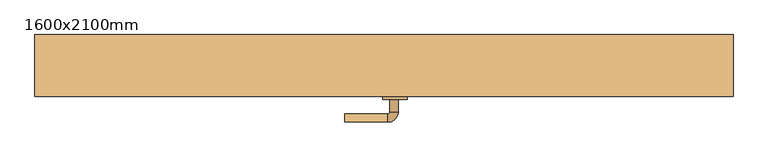
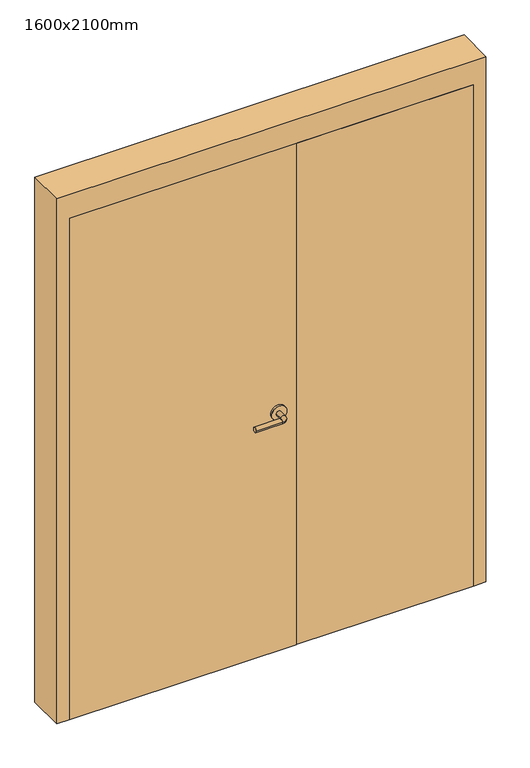
"""IFC4 building model written with IfcOpenShell, lengths in millimetres: door geometry, 1600x2100mm."""

from ifc_helpers import new_model, si_unit, point, frame, frame_2d, origin, origin_with_axes, place, context, project, spatial, polyline, circle_curve, ellipse_curve, trimmed, segment, composite_curve, outline, extrude, faceted_brep, source, transform, mapped, element, save
from ifc_brep_helpers import plane_surface, cylinder_surface, revolved_surface, advanced_brep


def door_1600x2100mm_aff910e4(model_context):
    return source(origin(), model_context, "Body", "SolidModel", [
        advanced_brep(
        [(34.59375, -78.35, 1000.0), (14.59375, -78.35, 1000.0), (14.59375, -48.35, 1000.0), (34.59375, -48.35, 1000.0), (9.59375, -43.35, 1000.0), (9.59375, -23.35, 1000.0), (-95.40625, -23.35, 1000.0), (-95.40625, -43.35, 1000.0)],
        [
            (0, 1, circle_curve(frame((24.59375, -78.35, 1000.0), z_axis=(0.0, -1.0, 0.0), x_axis=(-1.0, 0.0, 0.0)), 10.0)),
            (1, 0, circle_curve(frame((24.59375, -78.35, 1000.0), z_axis=(0.0, -1.0, 0.0), x_axis=(-1.0, 0.0, 0.0)), 10.0)),
            (1, 2),
            (2, 3, circle_curve(frame((24.59375, -48.35, 1000.0), z_axis=(0.0, -1.0, 0.0), x_axis=(-1.0, 0.0, 0.0)), 10.0)),
            (3, 0),
            (3, 2, circle_curve(frame((24.59375, -48.35, 1000.0), z_axis=(0.0, -1.0, 0.0), x_axis=(-1.0, 0.0, 0.0)), 10.0)),
            (4, 5, circle_curve(frame((9.59375, -33.35, 1000.0), z_axis=(1.0, 0.0, 0.0), x_axis=(0.0, -1.0, 0.0)), 10.0)),
            (5, 3, circle_curve(frame((9.59375, -48.35, 1000.0), z_axis=(0.0, 0.0, -1.0), x_axis=(1.0, 0.0, 0.0)), 25.0)),
            (2, 4, circle_curve(frame((9.59375, -48.35, 1000.0), z_axis=(0.0, 0.0, 1.0), x_axis=(1.0, 0.0, 0.0)), 5.0)),
            (5, 4, circle_curve(frame((9.59375, -33.35, 1000.0), z_axis=(1.0, 0.0, 0.0), x_axis=(0.0, -1.0, 0.0)), 10.0)),
            (6, 7, circle_curve(frame((-95.40625, -33.35, 1000.0), z_axis=(-1.0, 0.0, 0.0), x_axis=(0.0, -1.0, 0.0)), 10.0)),
            (7, 6, circle_curve(frame((-95.40625, -33.35, 1000.0), z_axis=(-1.0, 0.0, 0.0), x_axis=(0.0, -1.0, 0.0)), 10.0)),
            (4, 7),
            (6, 5),
        ],
        [
            plane_surface(frame((24.59375, -78.35, 1000.0), z_axis=(0.0, -1.0, 0.0), x_axis=(0.0, 0.0, 1.0))),
            cylinder_surface(frame((24.59375, -78.35, 1000.0), z_axis=(0.0, -1.0, 0.0), x_axis=(-1.0, 0.0, 0.0)), 10.0),
            revolved_surface(trimmed(ellipse_curve(frame((24.59375, -48.35, 1000.0), z_axis=(0.0, 1.0, 0.0), x_axis=(-1.0, 0.0, 0.0)), 10.0, 10.0), [point((34.59375, -48.35, 1000.0))], [point((14.59375, -48.35, 1000.0))], True, "CARTESIAN"), (9.59375, -48.35, 1000.0), (0.0, 0.0, -1.0)),
            revolved_surface(trimmed(ellipse_curve(frame((24.59375, -48.35, 1000.0), z_axis=(0.0, 1.0, 0.0), x_axis=(-1.0, 0.0, 0.0)), 10.0, 10.0), [point((14.59375, -48.35, 1000.0))], [point((34.59375, -48.35, 1000.0))], True, "CARTESIAN"), (9.59375, -48.35, 1000.0), (0.0, 0.0, -1.0)),
            plane_surface(frame((-95.40625, -33.35, 1000.0), z_axis=(-1.0, 0.0, 0.0), x_axis=(0.0, 0.0, 1.0))),
            cylinder_surface(frame((9.59375, -33.35, 1000.0), z_axis=(1.0, 0.0, 0.0), x_axis=(0.0, -1.0, 0.0)), 10.0),
        ],
        [
            (0, [[1, 2]]),
            (1, [[3, 4, 5, -2]]),
            (1, [[-5, 6, -3, -1]]),
            (2, [[7, 8, -4, 9]]),
            (3, [[10, -9, -6, -8]]),
            (4, [[11, 12]]),
            (5, [[13, -11, 14, -7]]),
            (5, [[-14, -12, -13, -10]]),
        ],
    ),
        extrude(outline(composite_curve([segment(trimmed(circle_curve(frame_2d((1000.0, 27.09375)), 30.0), [point((1000.0, 57.09375))], [point((1000.0, -2.90625))], False, "CARTESIAN"), True, "CONTINUOUS"), segment(trimmed(circle_curve(frame_2d((1000.0, 27.09375)), 30.0), [point((1000.0, -2.90625))], [point((1000.0, 57.09375))], False, "CARTESIAN"), True, "CONTINUOUS")], self_intersect=False)), frame((0.0, -86.35, 0.0), z_axis=(0.0, 1.0, 0.0), x_axis=(0.0, 0.0, 1.0)), (0.0, 0.0, 1.0), 8.0),
        advanced_brep(
        [(34.59375, -139.35, 1000.0), (14.59375, -139.35, 1000.0), (34.59375, -169.35, 1000.0), (14.59375, -169.35, 1000.0), (9.59375, -174.35, 1000.0), (9.59375, -194.35, 1000.0), (-95.40625, -194.35, 1000.0), (-95.40625, -174.35, 1000.0)],
        [
            (0, 1, circle_curve(frame((24.59375, -139.35, 1000.0), z_axis=(0.0, 1.0, 0.0), x_axis=(-1.0, 0.0, 0.0)), 10.0)),
            (1, 0, circle_curve(frame((24.59375, -139.35, 1000.0), z_axis=(0.0, 1.0, 0.0), x_axis=(-1.0, 0.0, 0.0)), 10.0)),
            (0, 2),
            (2, 3, circle_curve(frame((24.59375, -169.35, 1000.0), z_axis=(0.0, 1.0, 0.0), x_axis=(-1.0, 0.0, 0.0)), 10.0)),
            (3, 1),
            (3, 2, circle_curve(frame((24.59375, -169.35, 1000.0), z_axis=(0.0, 1.0, 0.0), x_axis=(-1.0, 0.0, 0.0)), 10.0)),
            (4, 3, circle_curve(frame((9.59375, -169.35, 1000.0), z_axis=(0.0, 0.0, 1.0), x_axis=(1.0, 0.0, 0.0)), 5.0)),
            (2, 5, circle_curve(frame((9.59375, -169.35, 1000.0), z_axis=(0.0, 0.0, -1.0), x_axis=(1.0, 0.0, 0.0)), 25.0)),
            (5, 4, circle_curve(frame((9.59375, -184.35, 1000.0), z_axis=(1.0, 0.0, 0.0), x_axis=(0.0, 1.0, 0.0)), 10.0)),
            (4, 5, circle_curve(frame((9.59375, -184.35, 1000.0), z_axis=(1.0, 0.0, 0.0), x_axis=(0.0, 1.0, 0.0)), 10.0)),
            (6, 7, circle_curve(frame((-95.40625, -184.35, 1000.0), z_axis=(-1.0, 0.0, 0.0), x_axis=(0.0, 1.0, 0.0)), 10.0)),
            (7, 6, circle_curve(frame((-95.40625, -184.35, 1000.0), z_axis=(-1.0, 0.0, 0.0), x_axis=(0.0, 1.0, 0.0)), 10.0)),
            (5, 6),
            (7, 4),
        ],
        [
            plane_surface(frame((24.59375, -139.35, 1000.0), z_axis=(0.0, 1.0, 0.0), x_axis=(0.0, 0.0, 1.0))),
            cylinder_surface(frame((24.59375, -139.35, 1000.0), z_axis=(0.0, 1.0, 0.0), x_axis=(-1.0, 0.0, 0.0)), 10.0),
            revolved_surface(trimmed(ellipse_curve(frame((24.59375, -169.35, 1000.0), z_axis=(0.0, 1.0, 0.0), x_axis=(-1.0, 0.0, 0.0)), 10.0, 10.0), [point((34.59375, -169.35, 1000.0))], [point((14.59375, -169.35, 1000.0))], True, "CARTESIAN"), (9.59375, -169.35, 1000.0), (0.0, 0.0, -1.0)),
            revolved_surface(trimmed(ellipse_curve(frame((24.59375, -169.35, 1000.0), z_axis=(0.0, 1.0, 0.0), x_axis=(-1.0, 0.0, 0.0)), 10.0, 10.0), [point((14.59375, -169.35, 1000.0))], [point((34.59375, -169.35, 1000.0))], True, "CARTESIAN"), (9.59375, -169.35, 1000.0), (0.0, 0.0, -1.0)),
            plane_surface(frame((-95.40625, -184.35, 1000.0), z_axis=(-1.0, 0.0, 0.0), x_axis=(0.0, 0.0, 1.0))),
            cylinder_surface(frame((9.59375, -184.35, 1000.0), z_axis=(1.0, 0.0, 0.0), x_axis=(0.0, 1.0, 0.0)), 10.0),
        ],
        [
            (0, [[1, 2]]),
            (1, [[-1, 3, 4, 5]]),
            (1, [[-2, -5, 6, -3]]),
            (2, [[7, -4, 8, 9]]),
            (3, [[-8, -6, -7, 10]]),
            (4, [[11, 12]]),
            (5, [[-9, 13, -12, 14]]),
            (5, [[-10, -14, -11, -13]]),
        ],
    ),
        extrude(outline(composite_curve([segment(trimmed(circle_curve(frame_2d((1000.0, 27.09375)), 30.0), [point((1000.0, 57.09375))], [point((1000.0, -2.90625))], False, "CARTESIAN"), True, "CONTINUOUS"), segment(trimmed(circle_curve(frame_2d((1000.0, 27.09375)), 30.0), [point((1000.0, -2.90625))], [point((1000.0, 57.09375))], False, "CARTESIAN"), True, "CONTINUOUS")], self_intersect=False)), frame((0.0, -139.35, 0.0), z_axis=(0.0, 1.0, 0.0), x_axis=(0.0, 0.0, 1.0)), (0.0, 0.0, 1.0), 8.0),
        extrude(outline(polyline([(800.0, -86.35), (800.0, -131.35), (101.6, -131.35), (101.6, -86.35), (800.0, -86.35)])), origin_with_axes(), (0.0, 0.0, 1.0), 2100.0),
        faceted_brep([(800.0, -81.5875, 0.0), (784.125, -81.5875, 0.0), (784.125, -30.5625, 0.0), (800.0, -30.5625, 0.0), (800.0, 18.65, 0.0), (850.0, 18.65, 0.0), (850.0, -131.35, 0.0), (800.0, -131.35, 0.0), (800.0, -131.35, 2100.0), (800.0, -81.5875, 2100.0), (850.0, -131.35, 2200.0), (-850.0, -131.35, 2200.0), (-850.0, -131.35, 0.0), (-800.0, -131.35, 0.0), (-800.0, -131.35, 2100.0), (850.0, 18.65, 2200.0), (800.0, 18.65, 2100.0), (-800.0, 18.65, 2100.0), (-800.0, 18.65, 0.0), (-850.0, 18.65, 0.0), (-850.0, 18.65, 2200.0), (800.0, -30.5625, 2100.0), (784.125, -30.5625, 2084.125), (-784.125, -30.5625, 2084.125), (-784.125, -30.5625, 0.0), (-800.0, -30.5625, 0.0), (-800.0, -30.5625, 2100.0), (784.125, -81.5875, 2084.125), (-800.0, -81.5875, 2100.0), (-800.0, -81.5875, 0.0), (-784.125, -81.5875, 0.0), (-784.125, -81.5875, 2084.125)], [[[0, 1, 2, 3, 4, 5, 6, 7]], [[7, 8, 9, 0]], [[6, 10, 11, 12, 13, 14, 8, 7]], [[5, 15, 10, 6]], [[4, 16, 17, 18, 19, 20, 15, 5]], [[3, 21, 16, 4]], [[2, 22, 23, 24, 25, 26, 21, 3]], [[1, 27, 22, 2]], [[0, 9, 28, 29, 30, 31, 27, 1]], [[8, 14, 28, 9]], [[16, 21, 26, 17]], [[22, 27, 31, 23]], [[12, 19, 18, 25, 24, 30, 29, 13]], [[13, 29, 28, 14]], [[11, 20, 19, 12]], [[17, 26, 25, 18]], [[23, 31, 30, 24]], [[15, 20, 11, 10]]]),
        extrude(outline(polyline([(98.4, -86.35), (98.4, -131.35), (-800.0, -131.35), (-800.0, -86.35), (98.4, -86.35)])), origin_with_axes(), (0.0, 0.0, 1.0), 2100.0),
    ])


if __name__ == "__main__":
    model = new_model("IFC4")
    model_context = context("Model", 3, world=origin())
    ifc_project = project(units=[si_unit("LENGTHUNIT", "METRE", prefix="MILLI")], contexts=[model_context])
    site = spatial("IfcSite", under=ifc_project)
    building = spatial("IfcBuilding", under=site)
    placement = place(None, origin())
    door_1600x2100mm_shape = door_1600x2100mm_aff910e4(model_context)
    element("IfcDoor", 1, ObjectType="1600x2100mm", at=placement, inside=building, context=model_context, shape_type="MappedRepresentation", body=[
        mapped(door_1600x2100mm_shape, transform((0.0, 0.0, 0.0), x_axis=(1.0, 0.0, 0.0), y_axis=(0.0, 1.0, 0.0), z_axis=(0.0, 0.0, 1.0))),
    ])
    save(model, "model.ifc")
